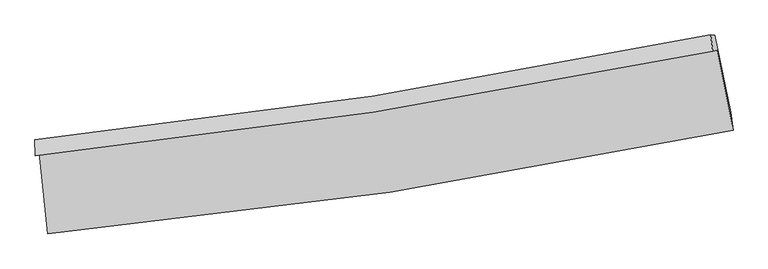
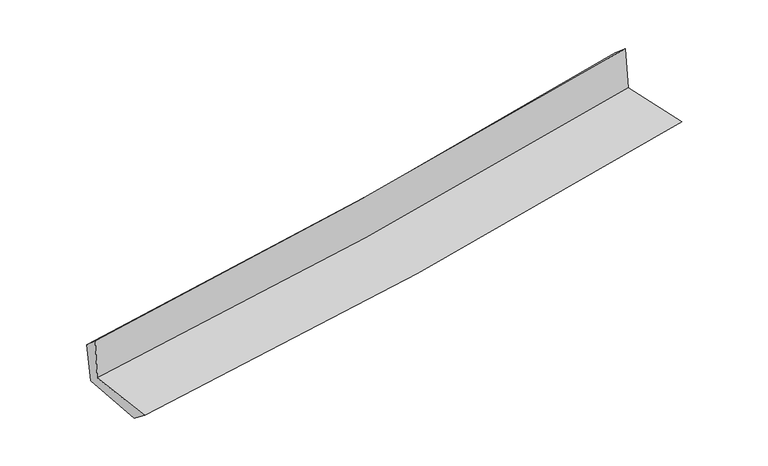
"""IFC4 building model written with IfcOpenShell, lengths in millimetres: proxy geometry."""

from ifc_helpers import new_model, si_unit, frame, origin, place, context, project, spatial, source, transform, mapped, element, save
from ifc_brep_helpers import plane_surface, spline_curve, spline_surface, advanced_brep


def generic_models_c3e5f944(model_context):
    return source(origin(), model_context, "Body", "AdvancedBrep", [
        advanced_brep(
        [(-2844.8290756, -1890.8667455, 1635.9686887), (-2772.8077768, -2563.9581147, 1632.8391248), (2934.4916039, -1703.8784992, 2122.4625838), (2801.2204949, -1034.1702051, 2115.0345197), (-2878.172237, -1914.4708167, 2043.4659613), (2765.0850472, -1044.0592533, 2532.827433), (-2881.4714221, -1781.3333429, 1919.6894001), (2748.4358961, -908.048981, 2417.1323423), (-2847.9025179, -1786.2577624, 1544.1830672), (2782.6861479, -912.6037952, 2051.6726226), (-2779.3102412, -2402.2117597, 1510.8104596), (2913.6877236, -1553.9022747, 2021.6908568)],
        [
            (0, 1),
            (1, 2, spline_curve(3, [(-2772.8077768, -2563.9581147, 1632.8391248), (-1820.643979273, -2475.76893081, 1721.096910956), (-871.997662443, -2360.638028129, 1805.787818918), (1030.5273677, -2074.648745396, 1969.0888325), (1984.314177889, -1903.086442652, 2047.605744342), (2934.4916039, -1703.8784992, 2122.4625838)], [4, 2, 4], [0.0, 9.394910886650436, 18.911763606966986])),
            (2, 3),
            (3, 0, spline_curve(3, [(2801.2204949, -1034.1702051, 2115.0345197), (1861.638792957, -1230.049005325, 2040.283546981), (918.285869686, -1399.671899075, 1962.710412203), (-963.826677804, -1684.568876166, 1802.949943012), (-1902.490278272, -1800.511496009, 1720.834467647), (-2844.8290756, -1890.8667455, 1635.9686887)], [4, 2, 4], [0.0, 9.51685272031655, 18.911763606966986])),
            (4, 0),
            (3, 5),
            (5, 4, spline_curve(3, [(2765.0850472, -1044.0592533, 2532.827433), (1824.905744527, -1237.802863478, 2463.180620449), (881.491648732, -1407.522750904, 2387.274039922), (-999.676478212, -1697.048238599, 2223.994161219), (-1937.348143713, -1817.46553913, 2136.780251179), (-2878.172237, -1914.4708167, 2043.4659613)], [4, 2, 4], [0.0, 9.465545224948334, 18.80980603210636])),
            (6, 4),
            (5, 7),
            (7, 6, spline_curve(3, [(2748.4358961, -908.048981, 2417.1323423), (1811.77906055, -1103.430452139, 2335.719186662), (871.241731985, -1274.206486738, 2253.285200449), (-1005.492847294, -1564.674762529, 2087.444893369), (-1941.591291552, -1684.993514957, 2004.064565858), (-2881.4714221, -1781.3333429, 1919.6894001)], [4, 2, 4], [0.0, 9.455509722912625, 18.789863615453065])),
            (8, 6),
            (7, 9),
            (9, 8, spline_curve(3, [(2782.6861479, -912.6037952, 2051.6726226), (1845.606939893, -1108.017520994, 1971.900001262), (904.802273569, -1278.840778025, 1889.432943623), (-972.155473904, -1569.432636389, 1720.20115187), (-1908.213696006, -1689.827368714, 1633.505024265), (-2847.9025179, -1786.2577624, 1544.1830672)], [4, 2, 4], [0.0, 9.44696305021216, 18.77287978072457])),
            (10, 8),
            (9, 11),
            (11, 10, spline_curve(3, [(2913.6877236, -1553.9022747, 2021.6908568), (1966.512706576, -1753.851633563, 1940.837927633), (1015.424624206, -1924.788719758, 1857.547973048), (-882.340999495, -2206.81982822, 1687.192455159), (-1828.918905778, -2318.652570504, 1600.18894365), (-2779.3102412, -2402.2117597, 1510.8104596)], [4, 2, 4], [0.0, 9.49673874897297, 18.87179338966657])),
            (1, 10),
            (11, 2),
        ],
        [
            spline_surface(3, 3, [[(-2844.8290756, -1890.8667455, 1635.9686887), (-1902.490278238, -1800.511495892, 1720.834467608), (-963.826677843, -1684.568876138, 1802.949943045), (918.285869726, -1399.671899103, 1962.71041217), (1861.6387928, -1230.049005371, 2040.28354711), (2801.2204949, -1034.1702051, 2115.0345197)], [(-2820.821975977, -2115.230535249, 1634.925500726), (-1875.208178523, -2025.597307534, 1720.92194872), (-933.217006059, -1909.925260166, 1803.895901641), (955.699702389, -1624.664181179, 1964.836552261), (1902.530587854, -1454.394817821, 2042.724279502), (2845.644197898, -1257.406303126, 2117.510541079)], [(-2796.814876423, -2339.594324951, 1633.882312774), (-1847.926078875, -2250.683119128, 1721.009429855), (-902.607334259, -2135.28164418, 1804.841860307), (993.113535068, -1849.656463241, 1966.962692423), (1943.422382912, -1678.740630293, 2045.165011859), (2890.067900902, -1480.642401174, 2119.986562421)], [(-2772.8077768, -2563.9581147, 1632.8391248), (-1820.643979159, -2475.76893077, 1721.096910967), (-871.997662475, -2360.638028207, 1805.787818903), (1030.527367732, -2074.648745317, 1969.088832515), (1984.314177965, -1903.086442742, 2047.605744251), (2934.4916039, -1703.8784992, 2122.4625838)]], [4, 4], [4, 2, 4], [0.0, 2.241515088447017], [0.0, 9.394910886650436, 18.911763606966986]),
            spline_surface(3, 3, [[(-2878.172237, -1914.4708167, 2043.4659613), (-1937.34814371, -1817.465539109, 2136.780251072), (-999.676478116, -1697.048238741, 2223.994161178), (881.491648635, -1407.52275076, 2387.274039964), (1824.905744441, -1237.80286335, 2463.180620478), (2765.0850472, -1044.0592533, 2532.827433)], [(-2867.057849866, -1906.602792962, 1907.633537096), (-1925.728855218, -1811.814191365, 1998.131656581), (-987.726544675, -1692.888451211, 2083.646088481), (893.756389016, -1404.905800212, 2245.752830713), (1837.15009391, -1235.218244038, 2322.214929356), (2777.130196449, -1040.762903915, 2393.563128567)], [(-2855.943462734, -1898.734769238, 1771.801112904), (-1914.10956673, -1806.162843636, 1859.483062099), (-975.776611284, -1688.728663668, 1943.298015743), (906.021129346, -1402.288849652, 2104.231621421), (1849.394443331, -1232.633624683, 2181.249238232), (2789.175345651, -1037.466554485, 2254.298824133)], [(-2844.8290756, -1890.8667455, 1635.9686887), (-1902.490278238, -1800.511495892, 1720.834467608), (-963.826677843, -1684.568876138, 1802.949943045), (918.285869726, -1399.671899103, 1962.71041217), (1861.6387928, -1230.049005371, 2040.28354711), (2801.2204949, -1034.1702051, 2115.0345197)]], [4, 4], [4, 2, 4], [0.0, 1.3927327436574286], [0.0, 9.344260807158024, 18.80980603210636]),
            spline_surface(3, 3, [[(-2881.4714221, -1781.3333429, 1919.6894001), (-1941.591291406, -1684.993515099, 2004.06456588), (-1005.492847196, -1564.674762462, 2087.444893519), (871.241731885, -1274.206486805, 2253.285200297), (1811.779060454, -1103.43045209, 2335.719186755), (2748.4358961, -908.048981, 2417.1323423)], [(-2880.371693748, -1825.712500843, 1960.948253848), (-1940.176908855, -1729.150856445, 2048.303127626), (-1003.554057509, -1608.799254564, 2132.961316054), (874.658370795, -1318.645241465, 2297.948146834), (1816.154621792, -1148.221255817, 2378.206331333), (2753.985613142, -953.385738407, 2455.697372537)], [(-2879.271965352, -1870.091658757, 2002.207107552), (-1938.762526261, -1773.308197763, 2092.541689327), (-1001.615267803, -1652.923746639, 2178.477738644), (878.075009725, -1363.0839961, 2342.611093427), (1820.530183103, -1193.012059623, 2420.6934759), (2759.535330158, -998.722495893, 2494.262402763)], [(-2878.172237, -1914.4708167, 2043.4659613), (-1937.34814371, -1817.465539109, 2136.780251072), (-999.676478116, -1697.048238741, 2223.994161178), (881.491648635, -1407.52275076, 2387.274039964), (1824.905744441, -1237.80286335, 2463.180620478), (2765.0850472, -1044.0592533, 2532.827433)]], [4, 4], [4, 2, 4], [0.0, 0.6225601198311865], [0.0, 9.33435389254044, 18.789863615453065]),
            spline_surface(3, 3, [[(-2847.9025179, -1786.2577624, 1544.1830672), (-1908.213696024, -1689.827368584, 1633.505024343), (-972.155473889, -1569.432636478, 1720.201151865), (904.802273553, -1278.840777934, 1889.432943628), (1845.606940008, -1108.017520941, 1971.900001198), (2782.6861479, -912.6037952, 2051.6726226)], [(-2859.092152615, -1784.61628922, 1669.351844843), (-1919.339561132, -1688.216084075, 1757.024871531), (-983.267931643, -1567.846678475, 1842.615732418), (893.615426345, -1277.296014226, 2010.717029185), (1834.330980148, -1106.488497986, 2093.173063024), (2771.269397291, -911.085523795, 2173.49252914)], [(-2870.281787385, -1782.97481608, 1794.520622457), (-1930.465426297, -1686.604799607, 1880.544718692), (-994.380389442, -1566.260720466, 1965.030312967), (882.428579093, -1275.751250513, 2132.00111474), (1823.055020314, -1104.959475045, 2214.446124929), (2759.852646709, -909.567252405, 2295.31243576)], [(-2881.4714221, -1781.3333429, 1919.6894001), (-1941.591291406, -1684.993515099, 2004.06456588), (-1005.492847196, -1564.674762462, 2087.444893519), (871.241731885, -1274.206486805, 2253.285200297), (1811.779060454, -1103.43045209, 2335.719186755), (2748.4358961, -908.048981, 2417.1323423)]], [4, 4], [4, 2, 4], [0.0, 1.2043430103421766], [0.0, 9.325916730512409, 18.77287978072457]),
            spline_surface(3, 3, [[(-2779.3102412, -2402.2117597, 1510.8104596), (-1828.918905759, -2318.652570364, 1600.188943805), (-882.340999639, -2206.819828201, 1687.192455063), (1015.424624351, -1924.788719777, 1857.547973145), (1966.512706521, -1753.851633617, 1940.83792758), (2913.6877236, -1553.9022747, 2021.6908568)], [(-2802.174333456, -2196.893760597, 1521.934662132), (-1855.350502536, -2109.044169767, 1611.294303982), (-912.279157736, -1994.357430945, 1698.195354013), (978.550507405, -1709.472739148, 1868.176296656), (1926.210784343, -1538.573596077, 1951.191952118), (2870.020531694, -1340.136114886, 2031.684778732)], [(-2825.038425644, -1991.575761503, 1533.058864668), (-1881.782099246, -1899.43576918, 1622.399664165), (-942.217315792, -1781.895033734, 1709.198252915), (941.676390499, -1494.156758564, 1878.804620118), (1885.908862185, -1323.295558481, 1961.54597666), (2826.353339806, -1126.369955014, 2041.678700668)], [(-2847.9025179, -1786.2577624, 1544.1830672), (-1908.213696024, -1689.827368584, 1633.505024343), (-972.155473889, -1569.432636478, 1720.201151865), (904.802273553, -1278.840777934, 1889.432943628), (1845.606940008, -1108.017520941, 1971.900001198), (2782.6861479, -912.6037952, 2051.6726226)]], [4, 4], [4, 2, 4], [0.0, 2.133631790372436], [0.0, 9.375054640693602, 18.87179338966657]),
            spline_surface(3, 3, [[(-2772.8077768, -2563.9581147, 1632.8391248), (-1820.643979159, -2475.76893077, 1721.096910967), (-871.997662475, -2360.638028207, 1805.787818903), (1030.527367732, -2074.648745317, 1969.088832515), (1984.314177965, -1903.086442742, 2047.605744251), (2934.4916039, -1703.8784992, 2122.4625838)], [(-2774.975264939, -2510.04266303, 1592.162903056), (-1823.402288031, -2423.396810631, 1680.794255235), (-875.445441536, -2309.365294868, 1766.256030968), (1025.493119932, -2024.695403466, 1931.90854607), (1978.380354142, -1853.341506372, 2012.016472039), (2927.556977125, -1653.886424372, 2088.872008145)], [(-2777.142753061, -2456.12721137, 1551.486681344), (-1826.160596886, -2371.024690503, 1640.491599536), (-878.893220578, -2258.09256154, 1726.724242998), (1020.458872151, -1974.742061627, 1894.728259591), (1972.446530343, -1803.596569987, 1976.427199792), (2920.622350375, -1603.894349528, 2055.281432455)], [(-2779.3102412, -2402.2117597, 1510.8104596), (-1828.918905759, -2318.652570364, 1600.188943805), (-882.340999639, -2206.819828201, 1687.192455063), (1015.424624351, -1924.788719777, 1857.547973145), (1966.512706521, -1753.851633617, 1940.83792758), (2913.6877236, -1553.9022747, 2021.6908568)]], [4, 4], [4, 2, 4], [0.0, 0.6262902985457298], [0.0, 9.43418572122624, 18.990823046291286]),
            plane_surface(frame((2824.2678189, -1192.7771681, 2210.1367264), z_axis=(0.9766787881782295, 0.19534608132335804, 0.0890979979253935), x_axis=(-0.09330220695829287, 0.012407915147208744, 0.9955605164018969))),
            plane_surface(frame((-2834.0822118, -2056.5164236, 1714.4927836), z_axis=(-0.9905819821822807, -0.1055877417731542, -0.08716975027536707), x_axis=(-0.10639231432270459, 0.9943134829693432, 0.004623098358540062))),
        ],
        [
            (0, [[1, 2, 3, 4]]),
            (1, [[5, -4, 6, 7]]),
            (2, [[8, -7, 9, 10]]),
            (3, [[11, -10, 12, 13]]),
            (4, [[14, -13, 15, 16]]),
            (5, [[17, -16, 18, -2]]),
            (6, [[-12, -9, -6, -3, -18, -15]]),
            (7, [[-1, -5, -8, -11, -14, -17]]),
        ],
    ),
    ])


if __name__ == "__main__":
    model = new_model("IFC4")
    model_context = context("Model", 3, world=origin())
    ifc_project = project(units=[si_unit("LENGTHUNIT", "METRE", prefix="MILLI")], contexts=[model_context])
    site = spatial("IfcSite", under=ifc_project)
    building = spatial("IfcBuilding", under=site)
    placement = place(None, origin())
    generic_models_shape = generic_models_c3e5f944(model_context)
    element("IfcBuildingElementProxy", 1, Name="Generic Models", at=placement, inside=building, context=model_context, shape_type="MappedRepresentation", body=[
        mapped(generic_models_shape, transform((0.0, 0.0, 0.0), x_axis=(1.0, 0.0, 0.0), y_axis=(0.0, 1.0, 0.0), z_axis=(0.0, 0.0, 1.0))),
    ])
    save(model, "model.ifc")
